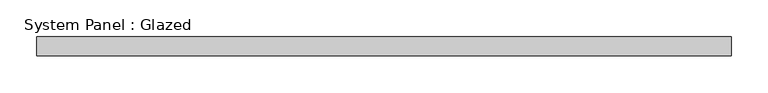
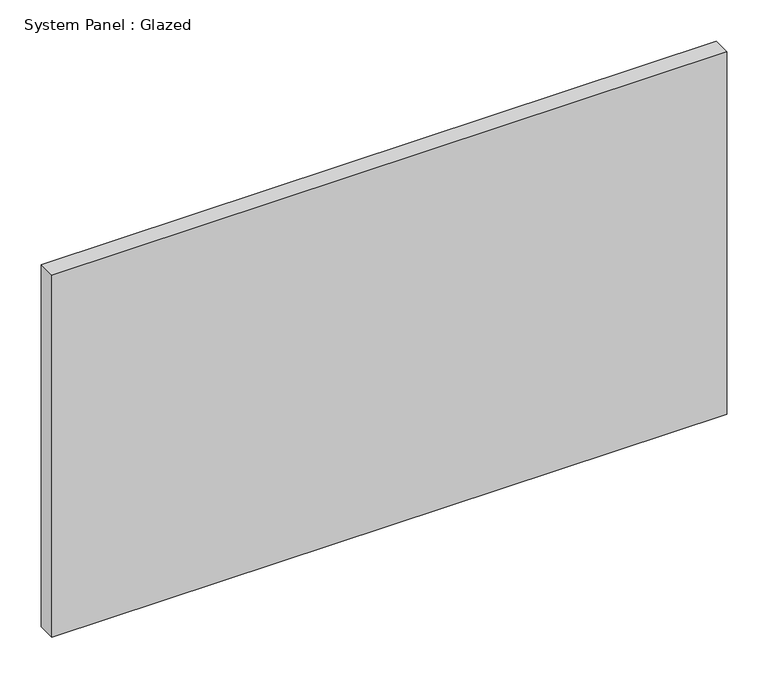
"""IFC4 building model written with IfcOpenShell, lengths in millimetres: plate geometry, System Panel : Glazed."""

import ifcopenshell
import ifcopenshell.guid

model = None  # the IFC model being written
_history = None  # IfcOwnerHistory: only IFC2X3 demands one
_inside = {}  # id of a spatial element -> (the spatial element, [elements in it])
_under = {}  # id of a project, library or spatial element -> (it, [spatial elements below it])
_declared = {}  # id of a project -> (the project, [libraries it declares])
_typed = {}  # id of a type object -> (the type object, [elements of that type])
_made_of = {}  # id of a material, layer set ... -> (it, [elements and type objects made of it])


def new_model(schema):
    """Start an empty IFC model of exactly this schema.

    Asked for "IFC4X3", IfcOpenShell would pick the latest addendum, in which some entities
    have other attributes; the version numbers below select the first issue.
    IFC2X3 requires an IfcOwnerHistory on every rooted entity: one is made here for all.
    """
    global model, _history
    if schema == "IFC4X3":
        model = ifcopenshell.file(schema_version=(4, 3, 0, 0))
    else:
        model = ifcopenshell.file(schema=schema)
    _inside.clear()
    _under.clear()
    _declared.clear()
    _typed.clear()
    _made_of.clear()
    _history = None
    if model.schema == "IFC2X3":
        org = make("IfcOrganization", Name="unknown")
        user = make(
            "IfcPersonAndOrganization",
            ThePerson=make("IfcPerson", FamilyName="unknown"),
            TheOrganization=org,
        )
        app = make(
            "IfcApplication",
            ApplicationDeveloper=org,
            Version="unknown",
            ApplicationFullName="unknown",
            ApplicationIdentifier="unknown",
        )
        _history = make(
            "IfcOwnerHistory",
            OwningUser=user,
            OwningApplication=app,
            ChangeAction="ADDED",
            CreationDate=0,
        )
    return model


def make(cls, **values):
    """One entity of the class cls with the attributes given. An attribute that is None is left unset."""
    return model.create_entity(
        cls, **{name: value for name, value in values.items() if value is not None}
    )


def rooted(cls, **values):
    """An entity with a GlobalId (a new one), such as an element, a storey or a relation."""
    return make(cls, GlobalId=ifcopenshell.guid.new(), OwnerHistory=_history, **values)


def si_unit(unit_type, name, prefix=None):
    """IfcSIUnit, for example si_unit("LENGTHUNIT", "METRE", prefix="MILLI")."""
    return make("IfcSIUnit", UnitType=unit_type, Prefix=prefix, Name=name)


def assignment(units):
    """IfcUnitAssignment: the units of a project."""
    return None if units is None else make("IfcUnitAssignment", Units=units)


def point(xyz):
    """IfcCartesianPoint."""
    return None if xyz is None else make("IfcCartesianPoint", Coordinates=xyz)


def direction(xyz):
    """IfcDirection."""
    return None if xyz is None else make("IfcDirection", DirectionRatios=xyz)


def frame(location, z_axis=None, x_axis=None):
    """IfcAxis2Placement3D, a coordinate frame: its origin and axes. An axis left out is left unset."""
    return make(
        "IfcAxis2Placement3D",
        Location=point(location),
        Axis=direction(z_axis),
        RefDirection=direction(x_axis),
    )


def origin():
    """The frame at (0, 0, 0) with its axes left unset."""
    return frame((0.0, 0.0, 0.0))


def origin_with_axes():
    """The frame at (0, 0, 0) with the z axis (0, 0, 1) and the x axis (1, 0, 0) written out."""
    return frame((0.0, 0.0, 0.0), z_axis=(0.0, 0.0, 1.0), x_axis=(1.0, 0.0, 0.0))


def place(relative_to, where):
    """IfcLocalPlacement: puts the frame where relative to a parent placement (None: the world)."""
    return make(
        "IfcLocalPlacement", PlacementRelTo=relative_to, RelativePlacement=where
    )


def context(
    kind, dimensions, precision=None, world=None, true_north=None, identifier=None
):
    """IfcGeometricRepresentationContext, for example the 3D "Model" context."""
    return make(
        "IfcGeometricRepresentationContext",
        ContextIdentifier=identifier,
        ContextType=kind,
        CoordinateSpaceDimension=dimensions,
        Precision=precision,
        WorldCoordinateSystem=world,
        TrueNorth=true_north,
    )


def project(units=None, contexts=None):
    """IfcProject with its units and contexts."""
    return rooted(
        "IfcProject",
        Name="project",
        RepresentationContexts=contexts,
        UnitsInContext=assignment(units),
    )


def spatial(cls, under=None, at=None, **own):
    """A site, building, storey or space (cls), placed at a placement, below another one or the project."""
    s = rooted(cls, ObjectPlacement=at, **own)
    if under is not None:
        _under.setdefault(under.id(), (under, []))[1].append(s)
    return s


def polyline(points):
    """IfcPolyline through the points."""
    return make("IfcPolyline", Points=[point(p) for p in points])


def outline(outer, holes=None, kind="AREA"):
    """IfcArbitraryClosedProfileDef: a profile drawn as a closed curve; with holes, ...WithVoids."""
    if holes is None:
        return make("IfcArbitraryClosedProfileDef", ProfileType=kind, OuterCurve=outer)
    return make(
        "IfcArbitraryProfileDefWithVoids",
        ProfileType=kind,
        OuterCurve=outer,
        InnerCurves=holes,
    )


def extrude(swept, where, along, depth):
    """IfcExtrudedAreaSolid: the profile swept, set in the frame where, extruded along a direction by depth."""
    return make(
        "IfcExtrudedAreaSolid",
        SweptArea=swept,
        Position=where,
        ExtrudedDirection=direction(along),
        Depth=depth,
    )


def shape(context_of_items, identifier, shape_type, items):
    """IfcShapeRepresentation: the items that make up one representation, for example the "Body"."""
    return make(
        "IfcShapeRepresentation",
        ContextOfItems=context_of_items,
        RepresentationIdentifier=identifier,
        RepresentationType=shape_type,
        Items=items,
    )


def source(mapping_origin, context_of_items, identifier, shape_type, items):
    """IfcRepresentationMap: a shape defined once, which mapped items show again and again."""
    return make(
        "IfcRepresentationMap",
        MappingOrigin=mapping_origin,
        MappedRepresentation=shape(context_of_items, identifier, shape_type, items),
    )


def transform(
    local_origin,
    x_axis=None,
    y_axis=None,
    z_axis=None,
    scale=None,
    scale2=None,
    scale3=None,
    uniform=True,
):
    """IfcCartesianTransformationOperator3D, or its non-uniform kind. x_axis, y_axis, z_axis: its Axis1, 2, 3."""
    if uniform:
        return make(
            "IfcCartesianTransformationOperator3D",
            Axis1=direction(x_axis),
            Axis2=direction(y_axis),
            LocalOrigin=point(local_origin),
            Scale=scale,
            Axis3=direction(z_axis),
        )
    return make(
        "IfcCartesianTransformationOperator3DnonUniform",
        Axis1=direction(x_axis),
        Axis2=direction(y_axis),
        LocalOrigin=point(local_origin),
        Scale=scale,
        Axis3=direction(z_axis),
        Scale2=scale2,
        Scale3=scale3,
    )


def mapped(mapping_source, mapping_target):
    """IfcMappedItem: shows the shape of a source again, moved by a transform."""
    return make(
        "IfcMappedItem", MappingSource=mapping_source, MappingTarget=mapping_target
    )


def made_of(thing, what):
    """Note that an element or type object is made of a material, layer set ...; save() writes the relation."""
    if what is not None:
        _made_of.setdefault(what.id(), (what, []))[1].append(thing)
    return thing


def element(
    cls,
    number,
    at=None,
    inside=None,
    cuts=None,
    type_object=None,
    material=None,
    context=None,
    identifier="Body",
    shape_type=None,
    held_by="IfcProductDefinitionShape",
    body=None,
    shapes=None,
    **own,
):
    """One element of the class cls, such as IfcWall. Its Tag is "e" and its number.

    at: its placement. inside: the storey or other place that contains it. cuts: it is an
    opening in that element (IfcRelVoidsElement). A single representation is given by context,
    identifier, shape_type and body (its items); several are given by shapes. held_by: the class
    of the entity that holds the representations. save() writes the other relations.
    """
    e = rooted(cls, Tag="e%d" % number, ObjectPlacement=at, **own)
    if body is not None:
        shapes = [shape(context, identifier, shape_type, body)]
    if shapes is not None:
        e.Representation = make(held_by, Representations=shapes)
    if inside is not None:
        _inside.setdefault(inside.id(), (inside, []))[1].append(e)
    if cuts is not None:
        rooted(
            "IfcRelVoidsElement", RelatingBuildingElement=cuts, RelatedOpeningElement=e
        )
    if type_object is not None:
        _typed.setdefault(type_object.id(), (type_object, []))[1].append(e)
    return made_of(e, material)


def aggregate(whole, parts):
    """IfcRelAggregates: a whole, such as a stair, and the parts it consists of."""
    return rooted("IfcRelAggregates", RelatingObject=whole, RelatedObjects=parts)


def save(model, path):
    """Write the relations noted so far, then the file.

    IfcRelAggregates (storeys below a building ...), IfcRelContainedInSpatialStructure (elements
    in a storey), IfcRelDefinesByType, IfcRelAssociatesMaterial and IfcRelDeclares: one each for
    every whole, place, type object, material and project.
    """
    for whole, parts in _under.values():
        aggregate(whole, parts)
    for where, things in _inside.values():
        rooted(
            "IfcRelContainedInSpatialStructure",
            RelatedElements=things,
            RelatingStructure=where,
        )
    for kind, things in _typed.values():
        rooted("IfcRelDefinesByType", RelatedObjects=things, RelatingType=kind)
    for what, things in _made_of.values():
        rooted("IfcRelAssociatesMaterial", RelatedObjects=things, RelatingMaterial=what)
    for by, libraries in _declared.values():
        rooted("IfcRelDeclares", RelatingContext=by, RelatedDefinitions=libraries)
    model.write(path)


def system_panel_glazed_1ac5c031(model_context):
    return source(origin(), model_context, "Body", "SweptSolid", [
        extrude(outline(polyline([(469.9, 19.05), (-469.9, 19.05), (-469.9, 44.45), (469.9, 44.45), (469.9, 19.05)])), origin_with_axes(), (0.0, 0.0, 1.0), 533.4),
    ])


if __name__ == "__main__":
    model = new_model("IFC4")
    model_context = context("Model", 3, world=origin())
    ifc_project = project(units=[si_unit("LENGTHUNIT", "METRE", prefix="MILLI")], contexts=[model_context])
    site = spatial("IfcSite", under=ifc_project)
    building = spatial("IfcBuilding", under=site)
    placement = place(None, origin())
    system_panel_glazed_shape = system_panel_glazed_1ac5c031(model_context)
    element("IfcPlate", 1, ObjectType="System Panel : Glazed", at=placement, inside=building, context=model_context, shape_type="MappedRepresentation", body=[
        mapped(system_panel_glazed_shape, transform((0.0, 0.0, 0.0), x_axis=(1.0, 0.0, 0.0), y_axis=(0.0, 1.0, 0.0), z_axis=(0.0, 0.0, 1.0))),
    ])
    save(model, "model.ifc")
